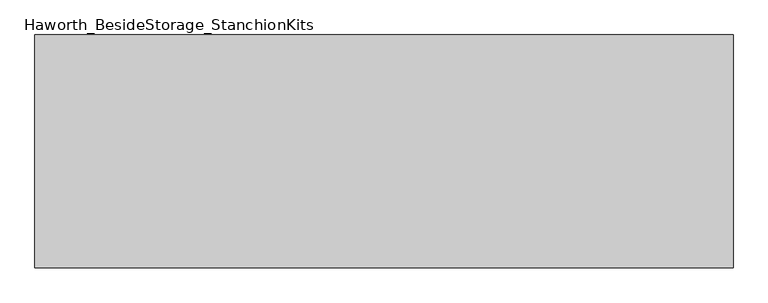
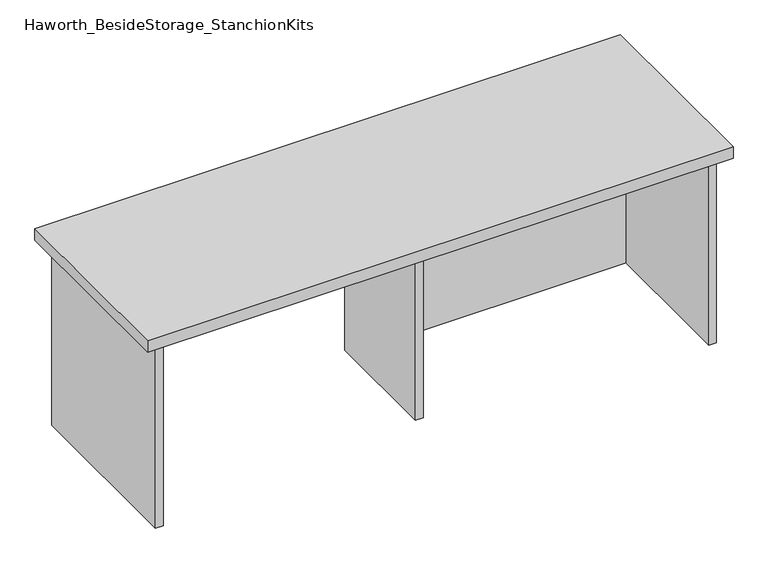
"""IFC4 building model written with IfcOpenShell, lengths in millimetres: furniture geometry, Haworth_BesideStorage_StanchionKits."""

from ifc_helpers import new_model, si_unit, frame, origin, place, context, project, spatial, polyline, outline, extrude, source, transform, mapped, element, save


def haworth_besidestorage_stanchionkits_44226d27(model_context):
    return source(origin(), model_context, "Body", "SweptSolid", [
        extrude(outline(polyline([(771.525, 0.0), (771.525, -406.4), (-447.675, -406.4), (-447.675, 0.0), (771.525, 0.0)])), frame((0.0, 0.0, 838.2), z_axis=(0.0, 0.0, 1.0), x_axis=(1.0, 0.0, 0.0)), (0.0, 0.0, 1.0), 25.4),
        extrude(outline(polyline([(169.8625, -76.2), (730.25, -76.2), (730.25, -92.075), (169.8625, -92.075), (169.8625, -76.2)])), frame((0.0, 0.0, 431.8), z_axis=(0.0, 0.0, 1.0), x_axis=(1.0, 0.0, 0.0)), (0.0, 0.0, 1.0), 406.4),
        extrude(outline(polyline([(169.8625, -330.2), (153.9875, -330.2), (153.9875, -76.2), (169.8625, -76.2), (169.8625, -330.2)])), frame((0.0, 0.0, 431.8), z_axis=(0.0, 0.0, 1.0), x_axis=(1.0, 0.0, 0.0)), (0.0, 0.0, 1.0), 406.4),
        extrude(outline(polyline([(746.125, -390.525), (730.25, -390.525), (730.25, -15.875), (746.125, -15.875), (746.125, -390.525)])), frame((0.0, 0.0, 431.8), z_axis=(0.0, 0.0, 1.0), x_axis=(1.0, 0.0, 0.0)), (0.0, 0.0, 1.0), 406.4),
        extrude(outline(polyline([(-406.4, -390.525), (-422.275, -390.525), (-422.275, -15.875), (-406.4, -15.875), (-406.4, -390.525)])), frame((0.0, 0.0, 431.8), z_axis=(0.0, 0.0, 1.0), x_axis=(1.0, 0.0, 0.0)), (0.0, 0.0, 1.0), 406.4),
    ])


if __name__ == "__main__":
    model = new_model("IFC4")
    model_context = context("Model", 3, world=origin())
    ifc_project = project(units=[si_unit("LENGTHUNIT", "METRE", prefix="MILLI")], contexts=[model_context])
    site = spatial("IfcSite", under=ifc_project)
    building = spatial("IfcBuilding", under=site)
    placement = place(None, origin())
    haworth_besidestorage_stanchionkits_shape = haworth_besidestorage_stanchionkits_44226d27(model_context)
    element("IfcFurniture", 1, ObjectType="Haworth_BesideStorage_StanchionKits", at=placement, inside=building, context=model_context, shape_type="MappedRepresentation", body=[
        mapped(haworth_besidestorage_stanchionkits_shape, transform((0.0, 0.0, 0.0), x_axis=(1.0, 0.0, 0.0), y_axis=(0.0, 1.0, 0.0), z_axis=(0.0, 0.0, 1.0))),
    ])
    save(model, "model.ifc")
